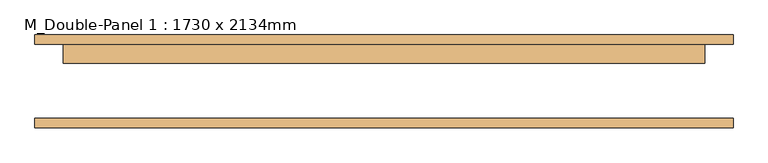
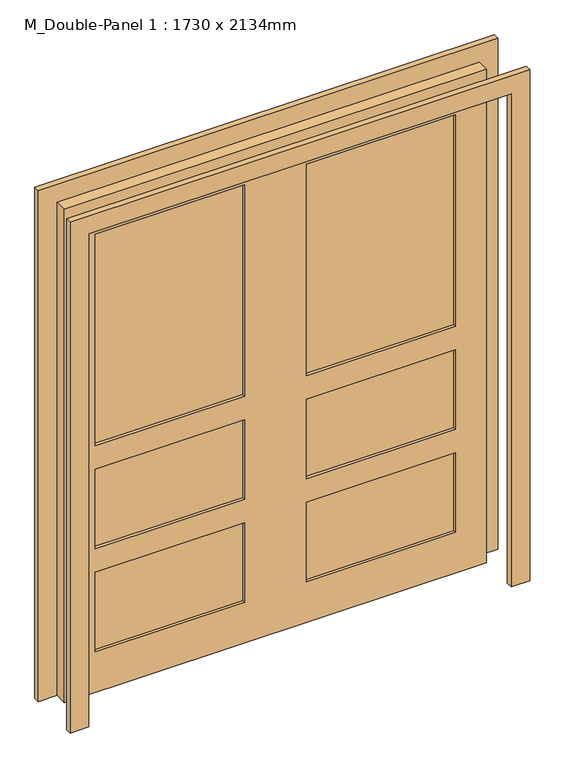
"""IFC4 building model written with IfcOpenShell, lengths in millimetres: door geometry, M_Double-Panel 1 : 1730 x 2134mm."""

from ifc_helpers import new_model, si_unit, frame, origin, place, context, project, spatial, polyline, outline, extrude, source, transform, mapped, element, save


def m_double_panel_1_1730_x_2134mm_f2838774(model_context):
    return source(origin(), model_context, "Body", "SweptSolid", [
        extrude(outline(polyline([(2210.0, -941.0), (0.0, -941.0), (0.0, -865.0), (2134.0, -865.0), (2134.0, 865.0), (0.0, 865.0), (0.0, 941.0), (2210.0, 941.0), (2210.0, -941.0)])), frame((0.0, 100.0, 0.0), z_axis=(0.0, 1.0, 0.0), x_axis=(0.0, 0.0, 1.0)), (0.0, 0.0, 1.0), 25.0),
        extrude(outline(polyline([(127.0, 87.3), (738.0, 87.3), (738.0, 61.7), (127.0, 61.7), (127.0, 87.3)])), frame((0.0, 0.0, 1066.6), z_axis=(0.0, 0.0, 1.0), x_axis=(1.0, 0.0, 0.0)), (0.0, 0.0, 1.0), 915.0),
        extrude(outline(polyline([(127.0, 87.3), (738.0, 87.3), (738.0, 61.7), (127.0, 61.7), (127.0, 87.3)])), frame((0.0, 0.0, 620.8), z_axis=(0.0, 0.0, 1.0), x_axis=(1.0, 0.0, 0.0)), (0.0, 0.0, 1.0), 343.8),
        extrude(outline(polyline([(127.0, 87.3), (738.0, 87.3), (738.0, 61.7), (127.0, 61.7), (127.0, 87.3)])), frame((0.0, 0.0, 175.0), z_axis=(0.0, 0.0, 1.0), x_axis=(1.0, 0.0, 0.0)), (0.0, 0.0, 1.0), 343.8),
        extrude(outline(polyline([(-738.0, 87.3), (-127.0, 87.3), (-127.0, 61.7), (-738.0, 61.7), (-738.0, 87.3)])), frame((0.0, 0.0, 1066.6), z_axis=(0.0, 0.0, 1.0), x_axis=(1.0, 0.0, 0.0)), (0.0, 0.0, 1.0), 915.0),
        extrude(outline(polyline([(-738.0, 87.3), (-127.0, 87.3), (-127.0, 61.7), (-738.0, 61.7), (-738.0, 87.3)])), frame((0.0, 0.0, 620.8), z_axis=(0.0, 0.0, 1.0), x_axis=(1.0, 0.0, 0.0)), (0.0, 0.0, 1.0), 343.8),
        extrude(outline(polyline([(-738.0, 87.3), (-127.0, 87.3), (-127.0, 61.7), (-738.0, 61.7), (-738.0, 87.3)])), frame((0.0, 0.0, 175.0), z_axis=(0.0, 0.0, 1.0), x_axis=(1.0, 0.0, 0.0)), (0.0, 0.0, 1.0), 343.8),
        extrude(outline(polyline([(2134.0, -865.0), (0.0, -865.0), (0.0, 865.0), (2134.0, 865.0), (2134.0, -865.0)]), holes=[polyline([(1981.6, 127.0), (1981.6, 738.0), (1066.6, 738.0), (1066.6, 127.0), (1981.6, 127.0)]), polyline([(620.8, 738.0), (620.8, 127.0), (964.6, 127.0), (964.6, 738.0), (620.8, 738.0)]), polyline([(518.8, 738.0), (175.0, 738.0), (175.0, 127.0), (518.8, 127.0), (518.8, 738.0)]), polyline([(1981.6, -127.0), (1066.6, -127.0), (1066.6, -738.0), (1981.6, -738.0), (1981.6, -127.0)]), polyline([(964.6, -738.0), (964.6, -127.0), (620.8, -127.0), (620.8, -738.0), (964.6, -738.0)]), polyline([(175.0, -127.0), (175.0, -738.0), (518.8, -738.0), (518.8, -127.0), (175.0, -127.0)])]), frame((0.0, 49.0, 0.0), z_axis=(0.0, 1.0, 0.0), x_axis=(0.0, 0.0, 1.0)), (0.0, 0.0, 1.0), 51.0),
        extrude(outline(polyline([(2134.0, -865.0), (2134.0, 865.0), (0.0, 865.0), (0.0, 941.0), (2210.0, 941.0), (2210.0, -941.0), (0.0, -941.0), (0.0, -865.0), (2134.0, -865.0)])), frame((0.0, -125.0, 0.0), z_axis=(0.0, 1.0, 0.0), x_axis=(0.0, 0.0, 1.0)), (0.0, 0.0, 1.0), 25.0),
    ])


if __name__ == "__main__":
    model = new_model("IFC4")
    model_context = context("Model", 3, world=origin())
    ifc_project = project(units=[si_unit("LENGTHUNIT", "METRE", prefix="MILLI")], contexts=[model_context])
    site = spatial("IfcSite", under=ifc_project)
    building = spatial("IfcBuilding", under=site)
    placement = place(None, origin())
    m_double_panel_1_1730_x_2134mm_shape = m_double_panel_1_1730_x_2134mm_f2838774(model_context)
    element("IfcDoor", 1, ObjectType="M_Double-Panel 1 : 1730 x 2134mm", at=placement, inside=building, context=model_context, shape_type="MappedRepresentation", body=[
        mapped(m_double_panel_1_1730_x_2134mm_shape, transform((0.0, 0.0, 0.0), x_axis=(1.0, 0.0, 0.0), y_axis=(0.0, 1.0, 0.0), z_axis=(0.0, 0.0, 1.0))),
    ])
    save(model, "model.ifc")
